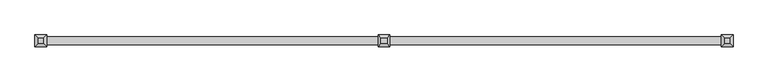
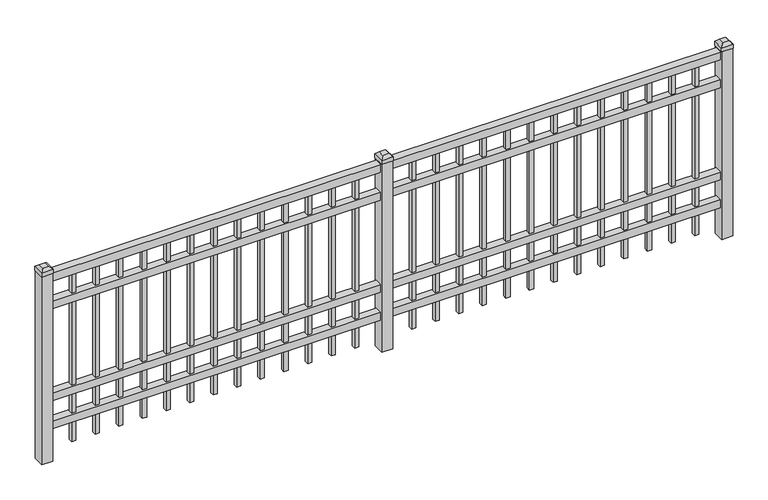
"""IFC4 building model written with IfcOpenShell, lengths in millimetres: railing geometry."""

from ifc_helpers import new_model, si_unit, frame, origin, origin_with_axes, place, context, project, spatial, polyline, outline, extrude, faceted_brep, source, transform, mapped, element, save


def railing_a66b29fb(model_context):
    return source(origin(), model_context, "Body", "SolidModel", [
        extrude(outline(polyline([(-91799.918087, -9187.1195174), (-91799.918087, -9152.1945174), (-88650.318087, -9152.1945174), (-88650.318087, -9187.1195174), (-91799.918087, -9187.1195174)])), frame((0.0, 0.0, 876.3), z_axis=(0.0, 0.0, 1.0), x_axis=(1.0, 0.0, 0.0)), (0.0, 0.0, 1.0), 38.1),
        extrude(outline(polyline([(-91799.918087, -9187.1195174), (-91799.918087, -9152.1945174), (-88650.318087, -9152.1945174), (-88650.318087, -9187.1195174), (-91799.918087, -9187.1195174)])), frame((0.0, 0.0, 739.775), z_axis=(0.0, 0.0, 1.0), x_axis=(1.0, 0.0, 0.0)), (0.0, 0.0, 1.0), 38.1),
        extrude(outline(polyline([(-91799.918087, -9187.1195174), (-91799.918087, -9152.1945174), (-88650.318087, -9152.1945174), (-88650.318087, -9187.1195174), (-91799.918087, -9187.1195174)])), frame((0.0, 0.0, 288.925), z_axis=(0.0, 0.0, 1.0), x_axis=(1.0, 0.0, 0.0)), (0.0, 0.0, 1.0), 38.1),
        extrude(outline(polyline([(-91799.918087, -9187.1195174), (-91799.918087, -9152.1945174), (-88650.318087, -9152.1945174), (-88650.318087, -9187.1195174), (-91799.918087, -9187.1195174)])), frame((0.0, 0.0, 152.4), z_axis=(0.0, 0.0, 1.0), x_axis=(1.0, 0.0, 0.0)), (0.0, 0.0, 1.0), 38.1),
        extrude(outline(polyline([(-88881.8285036, -9160.1320174), (-88881.8285036, -9179.1820174), (-88900.8785036, -9179.1820174), (-88900.8785036, -9160.1320174), (-88881.8285036, -9160.1320174)])), frame((0.0, 0.0, 50.8), z_axis=(0.0, 0.0, 1.0), x_axis=(1.0, 0.0, 0.0)), (0.0, 0.0, 1.0), 825.5),
        extrude(outline(polyline([(-88991.1014203, -9160.1320174), (-88991.1014203, -9179.1820174), (-89010.1514203, -9179.1820174), (-89010.1514203, -9160.1320174), (-88991.1014203, -9160.1320174)])), frame((0.0, 0.0, 50.8), z_axis=(0.0, 0.0, 1.0), x_axis=(1.0, 0.0, 0.0)), (0.0, 0.0, 1.0), 825.5),
        extrude(outline(polyline([(-89100.374337, -9160.1320174), (-89100.374337, -9179.1820174), (-89119.424337, -9179.1820174), (-89119.424337, -9160.1320174), (-89100.374337, -9160.1320174)])), frame((0.0, 0.0, 50.8), z_axis=(0.0, 0.0, 1.0), x_axis=(1.0, 0.0, 0.0)), (0.0, 0.0, 1.0), 825.5),
        extrude(outline(polyline([(-89209.6472536, -9160.1320174), (-89209.6472536, -9179.1820174), (-89228.6972536, -9179.1820174), (-89228.6972536, -9160.1320174), (-89209.6472536, -9160.1320174)])), frame((0.0, 0.0, 50.8), z_axis=(0.0, 0.0, 1.0), x_axis=(1.0, 0.0, 0.0)), (0.0, 0.0, 1.0), 825.5),
        extrude(outline(polyline([(-89318.9201703, -9160.1320174), (-89318.9201703, -9179.1820174), (-89337.9701703, -9179.1820174), (-89337.9701703, -9160.1320174), (-89318.9201703, -9160.1320174)])), frame((0.0, 0.0, 50.8), z_axis=(0.0, 0.0, 1.0), x_axis=(1.0, 0.0, 0.0)), (0.0, 0.0, 1.0), 825.5),
        extrude(outline(polyline([(-89428.193087, -9160.1320174), (-89428.193087, -9179.1820174), (-89447.243087, -9179.1820174), (-89447.243087, -9160.1320174), (-89428.193087, -9160.1320174)])), frame((0.0, 0.0, 50.8), z_axis=(0.0, 0.0, 1.0), x_axis=(1.0, 0.0, 0.0)), (0.0, 0.0, 1.0), 825.5),
        extrude(outline(polyline([(-89537.4660036, -9160.1320174), (-89537.4660036, -9179.1820174), (-89556.5160036, -9179.1820174), (-89556.5160036, -9160.1320174), (-89537.4660036, -9160.1320174)])), frame((0.0, 0.0, 50.8), z_axis=(0.0, 0.0, 1.0), x_axis=(1.0, 0.0, 0.0)), (0.0, 0.0, 1.0), 825.5),
        extrude(outline(polyline([(-89646.7389203, -9160.1320174), (-89646.7389203, -9179.1820174), (-89665.7889203, -9179.1820174), (-89665.7889203, -9160.1320174), (-89646.7389203, -9160.1320174)])), frame((0.0, 0.0, 50.8), z_axis=(0.0, 0.0, 1.0), x_axis=(1.0, 0.0, 0.0)), (0.0, 0.0, 1.0), 825.5),
        extrude(outline(polyline([(-89756.011837, -9160.1320174), (-89756.011837, -9179.1820174), (-89775.061837, -9179.1820174), (-89775.061837, -9160.1320174), (-89756.011837, -9160.1320174)])), frame((0.0, 0.0, 50.8), z_axis=(0.0, 0.0, 1.0), x_axis=(1.0, 0.0, 0.0)), (0.0, 0.0, 1.0), 825.5),
        extrude(outline(polyline([(-89865.2847536, -9160.1320174), (-89865.2847536, -9179.1820174), (-89884.3347536, -9179.1820174), (-89884.3347536, -9160.1320174), (-89865.2847536, -9160.1320174)])), frame((0.0, 0.0, 50.8), z_axis=(0.0, 0.0, 1.0), x_axis=(1.0, 0.0, 0.0)), (0.0, 0.0, 1.0), 825.5),
        extrude(outline(polyline([(-89974.5576703, -9160.1320174), (-89974.5576703, -9179.1820174), (-89993.6076703, -9179.1820174), (-89993.6076703, -9160.1320174), (-89974.5576703, -9160.1320174)])), frame((0.0, 0.0, 50.8), z_axis=(0.0, 0.0, 1.0), x_axis=(1.0, 0.0, 0.0)), (0.0, 0.0, 1.0), 825.5),
        extrude(outline(polyline([(-88772.555587, -9160.1320174), (-88772.555587, -9179.1820174), (-88791.605587, -9179.1820174), (-88791.605587, -9160.1320174), (-88772.555587, -9160.1320174)])), frame((0.0, 0.0, 50.8), z_axis=(0.0, 0.0, 1.0), x_axis=(1.0, 0.0, 0.0)), (0.0, 0.0, 1.0), 825.5),
        extrude(outline(polyline([(-90083.830587, -9160.1320174), (-90083.830587, -9179.1820174), (-90102.880587, -9179.1820174), (-90102.880587, -9160.1320174), (-90083.830587, -9160.1320174)])), frame((0.0, 0.0, 50.8), z_axis=(0.0, 0.0, 1.0), x_axis=(1.0, 0.0, 0.0)), (0.0, 0.0, 1.0), 825.5),
        faceted_brep([(-90252.105587, -9142.6695174, 939.8), (-90252.105587, -9142.6695174, 920.75), (-90252.105587, -9196.6445174, 920.75), (-90252.105587, -9196.6445174, 939.8), (-90239.405587, -9155.3695174, 952.5), (-90239.405587, -9183.9445174, 952.5), (-90198.130587, -9196.6445174, 920.75), (-90198.130587, -9196.6445174, 939.8), (-90210.830587, -9183.9445174, 952.5), (-90198.130587, -9142.6695174, 920.75), (-90198.130587, -9142.6695174, 939.8), (-90210.830587, -9155.3695174, 952.5)], [[[0, 1, 2, 3]], [[4, 0, 3, 5]], [[3, 2, 6, 7]], [[5, 3, 7, 8]], [[7, 6, 9, 10]], [[8, 7, 10, 11]], [[10, 9, 1, 0]], [[11, 10, 0, 4]], [[5, 8, 11, 4]], [[1, 9, 6, 2]]]),
        extrude(outline(polyline([(-90199.718087, -9144.2570174), (-90199.718087, -9195.0570174), (-90250.518087, -9195.0570174), (-90250.518087, -9144.2570174), (-90199.718087, -9144.2570174)])), origin_with_axes(), (0.0, 0.0, 1.0), 920.75),
        extrude(outline(polyline([(-90456.6285036, -9160.1320174), (-90456.6285036, -9179.1820174), (-90475.6785036, -9179.1820174), (-90475.6785036, -9160.1320174), (-90456.6285036, -9160.1320174)])), frame((0.0, 0.0, 50.8), z_axis=(0.0, 0.0, 1.0), x_axis=(1.0, 0.0, 0.0)), (0.0, 0.0, 1.0), 825.5),
        extrude(outline(polyline([(-90565.9014203, -9160.1320174), (-90565.9014203, -9179.1820174), (-90584.9514203, -9179.1820174), (-90584.9514203, -9160.1320174), (-90565.9014203, -9160.1320174)])), frame((0.0, 0.0, 50.8), z_axis=(0.0, 0.0, 1.0), x_axis=(1.0, 0.0, 0.0)), (0.0, 0.0, 1.0), 825.5),
        extrude(outline(polyline([(-90675.174337, -9160.1320174), (-90675.174337, -9179.1820174), (-90694.224337, -9179.1820174), (-90694.224337, -9160.1320174), (-90675.174337, -9160.1320174)])), frame((0.0, 0.0, 50.8), z_axis=(0.0, 0.0, 1.0), x_axis=(1.0, 0.0, 0.0)), (0.0, 0.0, 1.0), 825.5),
        extrude(outline(polyline([(-90784.4472536, -9160.1320174), (-90784.4472536, -9179.1820174), (-90803.4972536, -9179.1820174), (-90803.4972536, -9160.1320174), (-90784.4472536, -9160.1320174)])), frame((0.0, 0.0, 50.8), z_axis=(0.0, 0.0, 1.0), x_axis=(1.0, 0.0, 0.0)), (0.0, 0.0, 1.0), 825.5),
        extrude(outline(polyline([(-90893.7201703, -9160.1320174), (-90893.7201703, -9179.1820174), (-90912.7701703, -9179.1820174), (-90912.7701703, -9160.1320174), (-90893.7201703, -9160.1320174)])), frame((0.0, 0.0, 50.8), z_axis=(0.0, 0.0, 1.0), x_axis=(1.0, 0.0, 0.0)), (0.0, 0.0, 1.0), 825.5),
        extrude(outline(polyline([(-91002.993087, -9160.1320174), (-91002.993087, -9179.1820174), (-91022.043087, -9179.1820174), (-91022.043087, -9160.1320174), (-91002.993087, -9160.1320174)])), frame((0.0, 0.0, 50.8), z_axis=(0.0, 0.0, 1.0), x_axis=(1.0, 0.0, 0.0)), (0.0, 0.0, 1.0), 825.5),
        extrude(outline(polyline([(-91112.2660036, -9160.1320174), (-91112.2660036, -9179.1820174), (-91131.3160036, -9179.1820174), (-91131.3160036, -9160.1320174), (-91112.2660036, -9160.1320174)])), frame((0.0, 0.0, 50.8), z_axis=(0.0, 0.0, 1.0), x_axis=(1.0, 0.0, 0.0)), (0.0, 0.0, 1.0), 825.5),
        extrude(outline(polyline([(-91221.5389203, -9160.1320174), (-91221.5389203, -9179.1820174), (-91240.5889203, -9179.1820174), (-91240.5889203, -9160.1320174), (-91221.5389203, -9160.1320174)])), frame((0.0, 0.0, 50.8), z_axis=(0.0, 0.0, 1.0), x_axis=(1.0, 0.0, 0.0)), (0.0, 0.0, 1.0), 825.5),
        extrude(outline(polyline([(-91330.811837, -9160.1320174), (-91330.811837, -9179.1820174), (-91349.861837, -9179.1820174), (-91349.861837, -9160.1320174), (-91330.811837, -9160.1320174)])), frame((0.0, 0.0, 50.8), z_axis=(0.0, 0.0, 1.0), x_axis=(1.0, 0.0, 0.0)), (0.0, 0.0, 1.0), 825.5),
        extrude(outline(polyline([(-91440.0847536, -9160.1320174), (-91440.0847536, -9179.1820174), (-91459.1347536, -9179.1820174), (-91459.1347536, -9160.1320174), (-91440.0847536, -9160.1320174)])), frame((0.0, 0.0, 50.8), z_axis=(0.0, 0.0, 1.0), x_axis=(1.0, 0.0, 0.0)), (0.0, 0.0, 1.0), 825.5),
        extrude(outline(polyline([(-91549.3576703, -9160.1320174), (-91549.3576703, -9179.1820174), (-91568.4076703, -9179.1820174), (-91568.4076703, -9160.1320174), (-91549.3576703, -9160.1320174)])), frame((0.0, 0.0, 50.8), z_axis=(0.0, 0.0, 1.0), x_axis=(1.0, 0.0, 0.0)), (0.0, 0.0, 1.0), 825.5),
        extrude(outline(polyline([(-90347.355587, -9160.1320174), (-90347.355587, -9179.1820174), (-90366.405587, -9179.1820174), (-90366.405587, -9160.1320174), (-90347.355587, -9160.1320174)])), frame((0.0, 0.0, 50.8), z_axis=(0.0, 0.0, 1.0), x_axis=(1.0, 0.0, 0.0)), (0.0, 0.0, 1.0), 825.5),
        extrude(outline(polyline([(-91658.630587, -9160.1320174), (-91658.630587, -9179.1820174), (-91677.680587, -9179.1820174), (-91677.680587, -9160.1320174), (-91658.630587, -9160.1320174)])), frame((0.0, 0.0, 50.8), z_axis=(0.0, 0.0, 1.0), x_axis=(1.0, 0.0, 0.0)), (0.0, 0.0, 1.0), 825.5),
        faceted_brep([(-88677.305587, -9142.6695174, 939.8), (-88677.305587, -9142.6695174, 920.75), (-88677.305587, -9196.6445174, 920.75), (-88677.305587, -9196.6445174, 939.8), (-88664.605587, -9155.3695174, 952.5), (-88664.605587, -9183.9445174, 952.5), (-88623.330587, -9196.6445174, 920.75), (-88623.330587, -9196.6445174, 939.8), (-88636.030587, -9183.9445174, 952.5), (-88623.330587, -9142.6695174, 920.75), (-88623.330587, -9142.6695174, 939.8), (-88636.030587, -9155.3695174, 952.5)], [[[0, 1, 2, 3]], [[4, 0, 3, 5]], [[3, 2, 6, 7]], [[5, 3, 7, 8]], [[7, 6, 9, 10]], [[8, 7, 10, 11]], [[10, 9, 1, 0]], [[11, 10, 0, 4]], [[5, 8, 11, 4]], [[1, 9, 6, 2]]]),
        extrude(outline(polyline([(-88624.918087, -9144.2570174), (-88624.918087, -9195.0570174), (-88675.718087, -9195.0570174), (-88675.718087, -9144.2570174), (-88624.918087, -9144.2570174)])), origin_with_axes(), (0.0, 0.0, 1.0), 920.75),
        faceted_brep([(-91826.905587, -9142.6695174, 939.8), (-91826.905587, -9142.6695174, 920.75), (-91826.905587, -9196.6445174, 920.75), (-91826.905587, -9196.6445174, 939.8), (-91814.205587, -9155.3695174, 952.5), (-91814.205587, -9183.9445174, 952.5), (-91772.930587, -9196.6445174, 920.75), (-91772.930587, -9196.6445174, 939.8), (-91785.630587, -9183.9445174, 952.5), (-91772.930587, -9142.6695174, 920.75), (-91772.930587, -9142.6695174, 939.8), (-91785.630587, -9155.3695174, 952.5)], [[[0, 1, 2, 3]], [[4, 0, 3, 5]], [[3, 2, 6, 7]], [[5, 3, 7, 8]], [[7, 6, 9, 10]], [[8, 7, 10, 11]], [[10, 9, 1, 0]], [[11, 10, 0, 4]], [[5, 8, 11, 4]], [[1, 9, 6, 2]]]),
        extrude(outline(polyline([(-91774.518087, -9144.2570174), (-91774.518087, -9195.0570174), (-91825.318087, -9195.0570174), (-91825.318087, -9144.2570174), (-91774.518087, -9144.2570174)])), origin_with_axes(), (0.0, 0.0, 1.0), 920.75),
    ])


if __name__ == "__main__":
    model = new_model("IFC4")
    model_context = context("Model", 3, world=origin())
    ifc_project = project(units=[si_unit("LENGTHUNIT", "METRE", prefix="MILLI")], contexts=[model_context])
    site = spatial("IfcSite", under=ifc_project)
    building = spatial("IfcBuilding", under=site)
    placement = place(None, origin())
    railing_shape = railing_a66b29fb(model_context)
    element("IfcRailing", 1, at=placement, inside=building, context=model_context, shape_type="MappedRepresentation", body=[
        mapped(railing_shape, transform((0.0, 0.0, 0.0), x_axis=(1.0, 0.0, 0.0), y_axis=(0.0, 1.0, 0.0), z_axis=(0.0, 0.0, 1.0))),
    ])
    save(model, "model.ifc")
